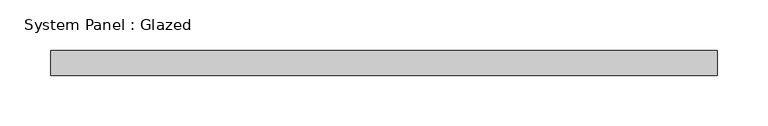
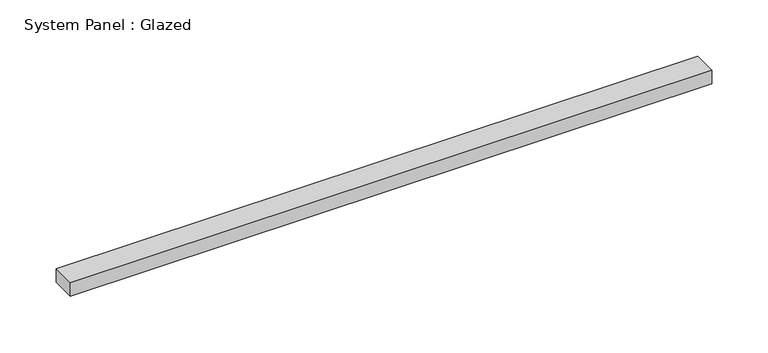
"""IFC4 building model written with IfcOpenShell, lengths in millimetres: plate geometry, System Panel : Glazed."""

from ifc_helpers import new_model, si_unit, origin, origin_with_axes, place, context, project, spatial, polyline, outline, extrude, source, transform, mapped, element, save


def system_panel_glazed_ac32a001(model_context):
    return source(origin(), model_context, "Body", "SweptSolid", [
        extrude(outline(polyline([(329.5, -49.5), (-329.5, -49.5), (-329.5, -24.5), (329.5, -24.5), (329.5, -49.5)])), origin_with_axes(), (0.0, 0.0, 1.0), 15.0),
    ])


if __name__ == "__main__":
    model = new_model("IFC4")
    model_context = context("Model", 3, world=origin())
    ifc_project = project(units=[si_unit("LENGTHUNIT", "METRE", prefix="MILLI")], contexts=[model_context])
    site = spatial("IfcSite", under=ifc_project)
    building = spatial("IfcBuilding", under=site)
    placement = place(None, origin())
    system_panel_glazed_shape = system_panel_glazed_ac32a001(model_context)
    element("IfcPlate", 1, ObjectType="System Panel : Glazed", at=placement, inside=building, context=model_context, shape_type="MappedRepresentation", body=[
        mapped(system_panel_glazed_shape, transform((0.0, 0.0, 0.0), x_axis=(1.0, 0.0, 0.0), y_axis=(0.0, 1.0, 0.0), z_axis=(0.0, 0.0, 1.0))),
    ])
    save(model, "model.ifc")
